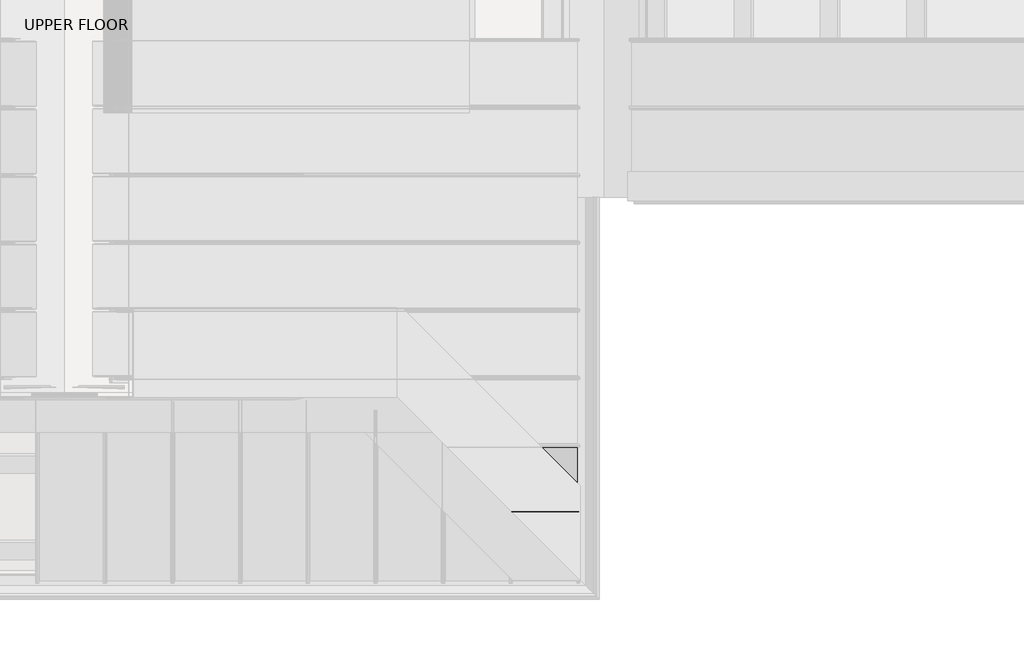
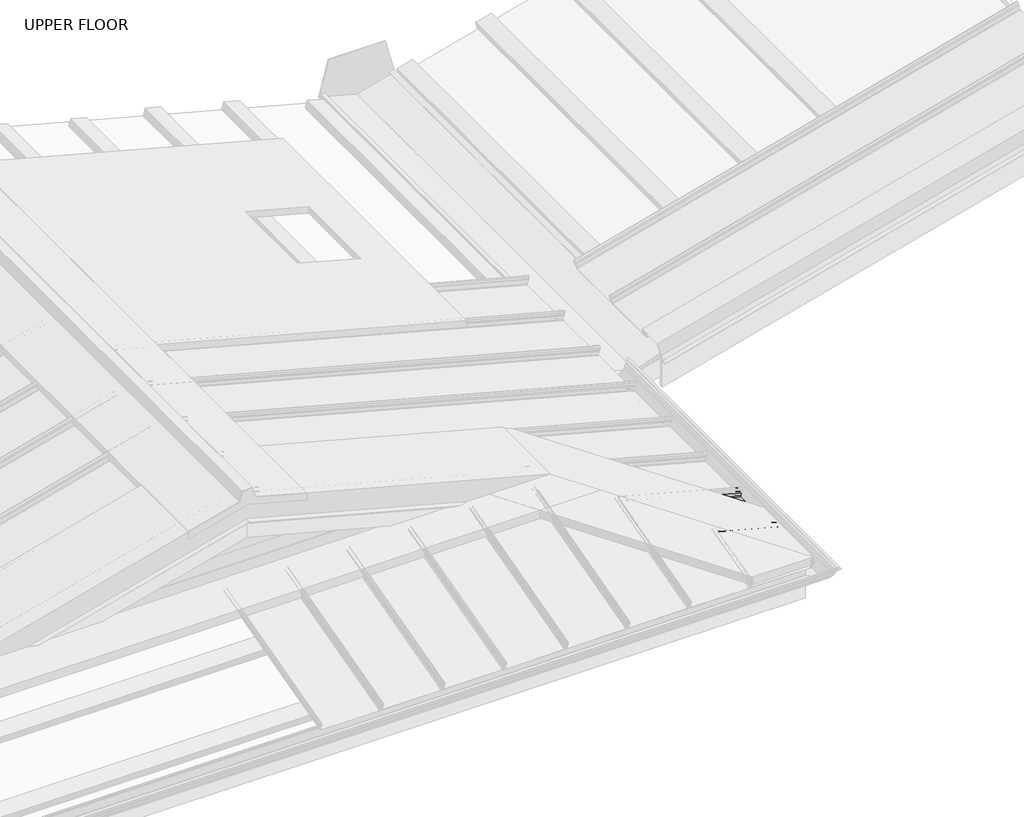
# One storey, part 11 of 15: 2 beams.
"""IFC4 building model written with IfcOpenShell, lengths in millimetres."""

from ifc_helpers import new_model, si_unit, frame, origin, place, context, project, spatial, polyline, circle_curve, ellipse_curve, element, save
from ifc_brep_helpers import plane_surface, cylinder_surface, revolved_surface, advanced_brep

model = new_model("IFC4")

# Units and contexts
model_context = context("Model", 3, world=origin())
ifc_project = project(units=[si_unit("LENGTHUNIT", "METRE", prefix="MILLI")], contexts=[model_context])

# Site, building, storey
site = spatial("IfcSite", under=ifc_project)
building = spatial("IfcBuilding", under=site)
storey = spatial("IfcBuildingStorey", under=building, Name="UPPER FLOOR", Elevation=2700.0)

# Beams
placement = place(None, origin())
element("IfcBeam", 1, at=placement, inside=storey, context=model_context, shape_type="AdvancedBrep", body=[
    advanced_brep(
    [(4588.6641838, -4320.4861861, 3288.2874662), (4589.6413755, -4325.0202115, 3291.9343952), (4588.6994492, -4329.527026, 3288.4190783), (4585.7595399, -4331.9740254, 3277.4471877), (4585.1242946, -4330.3153661, 3275.07642), (4584.6814449, -4329.1462013, 3273.4236821), (4578.622571, -4330.6367228, 3250.8116569), (4577.7257908, -4334.3311745, 3247.4648279), (4577.7257908, -4645.8741383, 3247.4648279), (4577.4669718, -4645.6153192, 3246.4989021), (4577.4669718, -4334.3314196, 3246.4989021), (4578.606125, -4329.6387437, 3250.7502796), (4584.6658644, -4328.1480092, 3273.3655349), (4585.3741518, -4330.05159, 3276.0088996), (4585.7149001, -4330.9882333, 3277.2805895), (4588.6147949, -4328.5725482, 3288.1031443), (4589.3828116, -4325.0097025, 3290.9694215), (4588.7109975, -4321.5357083, 3288.4621772), (4585.836038, -4319.5084575, 3277.7326823), (4585.8836748, -4318.5085976, 3277.9104655), (4250.3602501, -4318.5085976, 3367.8136962), (4252.3378387, -4320.4861861, 3378.4058387), (4251.36011, -4319.5084575, 3367.355237), (4253.3873609, -4321.5357083, 3378.3118748), (4256.8613551, -4325.0097025, 3380.0682773), (4260.4242008, -4328.5725482, 3376.0415489), (4262.8398859, -4330.9882333, 3363.7946888), (4261.9032426, -4330.05159, 3362.6826685), (4259.9996618, -4328.1480092, 3360.3595817), (4261.4903963, -4329.6387437, 3335.7211831), (4266.1830722, -4334.3314196, 3329.9071716), (4266.1828271, -4334.3311745, 3330.9425134), (4262.4883754, -4330.6367228, 3335.5195594), (4260.9978538, -4329.1462013, 3360.1544389), (4262.1670186, -4330.3153661, 3361.6125613), (4263.825678, -4331.9740254, 3363.7091061), (4261.3786785, -4329.527026, 3376.1244144), (4256.8718641, -4325.0202115, 3381.0997171)],
    [
        (0, 1, circle_curve(frame((4588.4481667, -4325.0202115, 3287.4812795), z_axis=(0.9659258262890683, 0.0, -0.25881904510252085), x_axis=(0.0, 1.0, 0.0)), 4.6102046)),
        (1, 2, circle_curve(frame((4588.4481667, -4325.0202115, 3287.4812795), z_axis=(0.9659258262890683, 0.0, -0.25881904510252085), x_axis=(0.25301467748856754, 0.2105938444020091, 0.9442636314479863)), 4.6102046)),
        (2, 3),
        (3, 4, circle_curve(frame((4585.7138743, -4329.589833, 3277.2767612), z_axis=(0.9659258262890683, 0.0, -0.25881904510252085), x_axis=(0.07854637762029247, -0.9528378408797882, 0.2931390720294278)), 2.3907121)),
        (4, 5, circle_curve(frame((4584.7091311, -4330.8262637, 3273.5270086), z_axis=(-0.9659258262890683, 0.0, 0.25881904510252085), x_axis=(0.2582960069428538, 0.06354246328302161, 0.9639738213028936)), 1.6834645)),
        (5, 6),
        (6, 7, circle_curve(frame((4578.6834212, -4334.3292456, 3251.038753), z_axis=(-0.9659258262890683, 0.0, 0.25881904510252085), x_axis=(-0.00013492947898775004, 0.9999998641088232, -0.0005035636710266542)), 3.7)),
        (7, 8),
        (8, 9),
        (9, 10),
        (10, 11, circle_curve(frame((4578.6840211, -4334.3314196, 3251.0409919), z_axis=(0.9659258262890683, 0.0, -0.25881904510252085), x_axis=(-0.2582883721443137, -0.06400407594283222, -0.9639453278468363)), 4.7023174)),
        (11, 12),
        (12, 13, circle_curve(frame((4584.7099319, -4330.822121, 3273.5299971), z_axis=(0.9659258262890683, 0.0, -0.25881904510252085), x_axis=(-0.07442661250521267, 0.9577619201002133, -0.27776389930470013)), 2.6795268)),
        (13, 14, circle_curve(frame((4585.6552205, -4329.9187472, 3277.0578623), z_axis=(-0.9659258262890683, 0.0, 0.25881904510252085), x_axis=(-0.2530054175637726, -0.2107598550523588, -0.9442290729381774)), 1.094061)),
        (14, 15),
        (15, 16, circle_curve(frame((4588.4452163, -4325.0097025, 3287.4702683), z_axis=(-0.9659258262890683, 0.0, 0.25881904510252085), x_axis=(0.0, -1.0, 0.0)), 3.6225901)),
        (16, 17, circle_curve(frame((4588.4452163, -4325.0097025, 3287.4702683), z_axis=(-0.9659258262890683, 0.0, 0.25881904510252085), x_axis=(0.24820248683930796, -0.2834711363957475, 0.9263042914492444)), 3.6225901)),
        (17, 18),
        (18, 19, circle_curve(frame((4585.8598564, -4319.0085275, 3277.8215739), z_axis=(0.9659258262890683, 0.0, -0.25881904510252085), x_axis=(-0.2545423082256888, 0.1810387826824727, -0.949964826974129)), 0.5083296)),
        (19, 0),
        (19, 20),
        (20, 21),
        (21, 0),
        (18, 22),
        (22, 20, ellipse_curve(frame((4250.8601801, -4319.0085275, 3367.5844666), z_axis=(0.7071067811865475, 0.7071067811865476, 0.0), x_axis=(-0.6612248329466449, 0.6612248329466448, 0.3543493200069151)), 0.7442462, 0.5083296)),
        (17, 23),
        (23, 22),
        (16, 24),
        (24, 23, ellipse_curve(frame((4256.8613551, -4325.0097025, 3376.3178961), z_axis=(-0.7071067811865475, -0.7071067811865476, 0.0), x_axis=(-0.6612248329466449, 0.6612248329466448, 0.3543493200069151)), 5.3038399, 3.6225901)),
        (15, 25),
        (25, 24, ellipse_curve(frame((4256.8613551, -4325.0097025, 3376.3178961), z_axis=(-0.7071067811865475, -0.7071067811865476, 0.0), x_axis=(-0.6612248329466449, 0.6612248329466448, 0.3543493200069151)), 5.3038399, 3.6225901)),
        (14, 26),
        (26, 25),
        (13, 27),
        (27, 26, ellipse_curve(frame((4261.7703998, -4329.9187472, 3363.8425384), z_axis=(-0.7071067811865475, -0.7071067811865476, 0.0), x_axis=(-0.6612248329466449, 0.6612248329466448, 0.3543493200069151)), 1.6018165, 1.094061)),
        (12, 28),
        (28, 27, ellipse_curve(frame((4262.6737736, -4330.822121, 3359.8193256), z_axis=(0.7071067811865475, 0.7071067811865476, 0.0), x_axis=(-0.6612248329466449, 0.6612248329466448, 0.3543493200069151)), 3.9230995, 2.6795268)),
        (11, 29),
        (29, 28),
        (10, 30),
        (30, 29, ellipse_curve(frame((4266.1830722, -4334.3314196, 3334.7753688), z_axis=(0.7071067811865475, 0.7071067811865476, 0.0), x_axis=(-0.6612248329466449, 0.6612248329466448, 0.3543493200069151)), 6.8846705, 4.7023174)),
        (9, 30),
        (7, 31),
        (31, 8),
        (6, 32),
        (32, 31, ellipse_curve(frame((4266.1808982, -4334.3292456, 3334.7735516), z_axis=(-0.7071067811865475, -0.7071067811865476, 0.0), x_axis=(-0.6612248329466449, 0.6612248329466448, 0.3543493200069151)), 5.417176, 3.7)),
        (5, 33),
        (33, 32),
        (4, 34),
        (34, 33, ellipse_curve(frame((4262.6779163, -4330.8262637, 3359.8150126), z_axis=(-0.7071067811865475, -0.7071067811865476, 0.0), x_axis=(-0.6612248329466449, 0.6612248329466448, 0.3543493200069151)), 2.4647631, 1.6834645)),
        (3, 35),
        (35, 34, ellipse_curve(frame((4261.4414856, -4329.589833, 3364.1652859), z_axis=(0.7071067811865475, 0.7071067811865476, 0.0), x_axis=(-0.6612248329466449, 0.6612248329466448, 0.3543493200069151)), 3.5002454, 2.3907121)),
        (2, 36),
        (36, 35),
        (1, 37),
        (37, 36, ellipse_curve(frame((4256.8718641, -4325.0202115, 3376.3268821), z_axis=(0.7071067811865475, 0.7071067811865476, 0.0), x_axis=(-0.6612248329466449, 0.6612248329466448, 0.3543493200069151)), 6.749808, 4.6102046)),
        (21, 37, ellipse_curve(frame((4256.8718641, -4325.0202115, 3376.3268821), z_axis=(0.7071067811865475, 0.7071067811865476, 0.0), x_axis=(-0.6612248329466449, 0.6612248329466448, 0.3543493200069151)), 6.749808, 4.6102046)),
    ],
    [
        plane_surface(frame((4585.8836748, -4318.5085976, 3277.9104655), z_axis=(0.9659258262890685, 0.0, -0.2588190451025208), x_axis=(0.25454230822568813, -0.1810387826824874, 0.9499648269741265))),
        plane_surface(frame((4587.2739293, -4319.4973918, 3283.0989658), z_axis=(0.046856284860271595, 0.9834759575937934, 0.1748700357524539), x_axis=(-0.25454230822571283, 0.18103878268197515, -0.9499648269742175))),
        cylinder_surface(frame((4585.8598564, -4319.0085275, 3277.8215739), z_axis=(-0.9659258262890683, 0.0, 0.25881904510252085), x_axis=(-0.2545423082256888, 0.1810387826824727, -0.949964826974129)), 0.5083296),
        plane_surface(frame((4587.2735177, -4320.5220829, 3283.0974297), z_axis=(-0.04646793749459967, -0.9837509798366518, -0.17342070365278076), x_axis=(0.25461348921999144, -0.1795383236816798, 0.9502304780613984))),
        revolved_surface(polyline([(4254.018533819951, -4326.036602232342, 3380.676171284427), (4589.344352195754, -4326.036602232342, 3290.825889049325)]), (4588.4452163, -4325.0097025, 3287.4702683), (-0.9659258262890683, 0.0, 0.25881904510252085)),
        revolved_surface(polyline([(4253.119397948331, -4328.632292599999, 3377.320550528635), (4588.445216324135, -4328.632292599999, 3287.470268293533)]), (4588.4452163, -4325.0097025, 3287.4702683), (-0.9659258262890683, 0.0, 0.25881904510252085)),
        plane_surface(frame((4587.1648475, -4329.7803908, 3282.6918669), z_axis=(-0.05454866443071865, 0.9775378680634889, -0.20357838714046717), x_axis=(-0.25300541756374617, -0.21075985505282802, -0.9442290729380797))),
        revolved_surface(polyline([(4260.363485280603, -4330.149331337779, 3363.112306615975), (4585.3784171646985, -4330.149331337779, 3276.024818089575)]), (4585.6552205, -4329.9187472, 3277.0578623), (-0.9659258262890683, 0.0, 0.25881904510252085)),
        cylinder_surface(frame((4584.7099319, -4330.822121, 3273.5299971), z_axis=(-0.9659258262890683, 0.0, 0.25881904510252085), x_axis=(-0.07442661250521267, 0.9577619201002133, -0.27776389930470013)), 2.6795268),
        plane_surface(frame((4581.6359947, -4328.8933764, 3262.0579073), z_axis=(-0.016445999670456363, 0.9979791357337515, -0.06137730635140414), x_axis=(-0.25829600694284854, -0.0635424632833412, -0.9639738213028741))),
        cylinder_surface(frame((4578.6840211, -4334.3314196, 3251.0409919), z_axis=(-0.9659258262890683, 0.0, 0.25881904510252085), x_axis=(-0.2582883721443137, -0.06400407594283222, -0.9639453278468363)), 4.7023174),
        plane_surface(frame((4577.4669718, -4494.4557735, 3246.4989021), z_axis=(-0.25881904510252085, 0.0, -0.9659258262890683), x_axis=(0.0, -1.0, 0.0))),
        plane_surface(frame((4577.7257908, -4494.4556509, 3247.4648279), z_axis=(0.25881904510252085, 0.0, 0.9659258262890683), x_axis=(0.0, 1.0, 0.0))),
        revolved_surface(polyline([(4262.358481103925, -4330.629246102797, 3335.7957682882775), (4578.682921976415, -4330.629246102797, 3251.0368898102674)]), (4578.6834212, -4334.3292456, 3251.038753), (-0.9659258262890683, 0.0, 0.25881904510252085)),
        plane_surface(frame((4581.6520079, -4329.891462, 3262.1176695), z_axis=(0.016445999670328403, -0.9979791357337829, 0.061377306350926586), x_axis=(0.25829600694285665, 0.06354246328284681, 0.9639738213029044))),
        revolved_surface(polyline([(4261.37381248389, -4330.719292218821, 3361.9037747403668), (4585.143963306913, -4330.719292218821, 3275.1498242940347)]), (4584.7091311, -4330.8262637, 3273.5270086), (-0.9659258262890683, 0.0, 0.25881904510252085)),
        cylinder_surface(frame((4585.7138743, -4329.589833, 3277.2767612), z_axis=(-0.9659258262890683, 0.0, 0.25881904510252085), x_axis=(0.07854637762029247, -0.9528378408797882, 0.2931390720294278)), 2.3907121),
        plane_surface(frame((4587.2294945, -4330.7505257, 3282.933133), z_axis=(0.05450569771247233, -0.9775736456657296, 0.2034180331649374), x_axis=(0.25301467748859413, 0.21059384440152798, 0.9442636314480866))),
        cylinder_surface(frame((4588.4481667, -4325.0202115, 3287.4812795), z_axis=(-0.9659258262890683, 0.0, 0.25881904510252085), x_axis=(0.25301467748856754, 0.2105938444020091, 0.9442636314479863)), 4.6102046),
        cylinder_surface(frame((4588.4481667, -4325.0202115, 3287.4812795), z_axis=(-0.9659258262890683, 0.0, 0.25881904510252085), x_axis=(0.0, 1.0, 0.0)), 4.6102046),
        plane_surface(frame((2929.153452, -2997.3017994, 4221.1329824), z_axis=(-0.7071067811865475, -0.7071067811865476, 0.0), x_axis=(0.0, 0.0, -1.0))),
    ],
    [
        (0, [[1, 2, 3, 4, 5, 6, 7, 8, 9, 10, 11, 12, 13, 14, 15, 16, 17, 18, 19, 20]]),
        (1, [[-20, 21, 22, 23]]),
        (2, [[-19, 24, 25, -21]]),
        (3, [[-18, 26, 27, -24]]),
        (4, [[-17, 28, 29, -26]]),
        (5, [[-16, 30, 31, -28]]),
        (6, [[-15, 32, 33, -30]]),
        (7, [[-14, 34, 35, -32]]),
        (8, [[-13, 36, 37, -34]]),
        (9, [[-12, 38, 39, -36]]),
        (10, [[-11, 40, 41, -38]]),
        (11, [[-10, 42, -40]]),
        (12, [[-8, 43, 44]]),
        (13, [[-7, 45, 46, -43]]),
        (14, [[-6, 47, 48, -45]]),
        (15, [[-5, 49, 50, -47]]),
        (16, [[-4, 51, 52, -49]]),
        (17, [[-3, 53, 54, -51]]),
        (18, [[-2, 55, 56, -53]]),
        (19, [[-1, -23, 57, -55]]),
        (20, [[-9, -44, -46, -48, -50, -52, -54, -56, -57, -22, -25, -27, -29, -31, -33, -35, -37, -39, -41, -42]]),
    ],
),
])
element("IfcBeam", 2, at=placement, inside=storey, context=model_context, shape_type="AdvancedBrep", body=[
    advanced_brep(
    [(4588.6641838, -3980.4861861, 3288.2874662), (4589.6413755, -3985.0202115, 3291.9343952), (4588.6994492, -3989.527026, 3288.4190783), (4585.7595399, -3991.9740254, 3277.4471877), (4585.1242946, -3990.3153661, 3275.07642), (4584.6814449, -3989.1462013, 3273.4236821), (4578.622571, -3990.6367228, 3250.8116569), (4577.7257908, -3994.3311745, 3247.4648279), (4577.7257908, -4314.5801273, 3247.4648279), (4578.6236149, -4318.2729047, 3250.8155528), (4584.7017212, -4319.7424079, 3273.4993546), (4584.9433076, -4319.1144803, 3274.4009671), (4585.7367928, -4316.9028424, 3277.3622944), (4588.6294847, -4317.7863812, 3288.1579673), (4590.3585719, -4325.0160332, 3294.6110086), (4588.6294847, -4332.2456851, 3288.1579673), (4585.7367928, -4333.1292239, 3277.3622944), (4584.9433076, -4330.917586, 3274.4009671), (4584.7017212, -4330.2896584, 3273.4993546), (4583.081526, -4330.6813728, 3267.4527037), (4583.081526, -4329.679417, 3267.4527037), (4584.7666355, -4329.2720082, 3273.7416181), (4585.194583, -4330.6774241, 3275.3387398), (4585.716396, -4332.1318447, 3277.2861723), (4588.6292283, -4331.2421543, 3288.1570105), (4590.0997528, -4325.0160332, 3293.6450828), (4588.60878, -4318.7831771, 3288.0806963), (4585.6957196, -4317.8955784, 3277.209007), (4585.194583, -4319.3546422, 3275.3387398), (4584.7666355, -4320.7600582, 3273.7416181), (4578.607451, -4319.2709526, 3250.7552284), (4577.4669718, -4314.5801273, 3246.4989021), (4577.4669718, -3994.3314196, 3246.4989021), (4578.606125, -3989.6387437, 3250.7502796), (4584.6658644, -3988.1480092, 3273.3655349), (4585.3741518, -3990.05159, 3276.0088996), (4585.7149001, -3990.9882333, 3277.2805895), (4588.6147949, -3988.5725482, 3288.1031443), (4589.3828116, -3985.0097025, 3290.9694215), (4588.7109975, -3981.5357083, 3288.4621772), (4585.836038, -3979.5084575, 3277.7326823), (4585.8836748, -3978.5085976, 3277.9104655), (3910.3602501, -3978.5085976, 3458.9164216), (3912.3378387, -3980.4861861, 3469.5085642), (3911.36011, -3979.5084575, 3458.4579625), (3913.3873609, -3981.5357083, 3469.4146003), (3916.8613551, -3985.0097025, 3471.1710027), (3920.4242008, -3988.5725482, 3467.1442744), (3922.8398859, -3990.9882333, 3454.8974142), (3921.9032426, -3990.05159, 3453.7853939), (3919.9996618, -3988.1480092, 3451.4623072), (3921.4903963, -3989.6387437, 3426.8239085), (3926.1830722, -3994.3314196, 3421.009897), (4246.4317799, -4314.5801273, 3335.1995144), (4251.1226052, -4319.2709526, 3338.5045283), (4252.6117107, -4320.7600582, 3362.7422619), (4251.2062948, -4319.3546422, 3364.8306319), (4249.747231, -4317.8955784, 3367.2261332), (4250.6348297, -4318.7831771, 3378.6405433), (4256.8676857, -4325.0160332, 3382.934346), (4263.0938069, -4331.2421543, 3375.3839637), (4263.9834973, -4332.1318447, 3363.4942427), (4262.5290767, -4330.6774241, 3361.7967017), (4261.1236608, -4329.2720082, 3360.4614918), (4261.5310695, -4329.679417, 3353.6118888), (4262.5330254, -4330.6813728, 3353.3434156), (4262.141311, -4330.2896584, 3359.929156), (4262.7692386, -4330.917586, 3360.7272487), (4264.9808994, -4333.1303531, 3363.3086685), (4264.0973377, -4332.2456851, 3375.116094), (4256.8676857, -4325.0160332, 3383.9696222), (4249.6380338, -4317.7863812, 3378.9904528), (4248.754495, -4316.9028424, 3367.6564289), (4250.9661329, -4319.1144803, 3363.8898813), (4251.5940605, -4319.7424079, 3362.7552833), (4250.1245573, -4318.2729047, 3338.8366101), (4246.4317799, -4314.5801273, 3336.2347906), (3926.1828271, -3994.3311745, 3422.0452389), (3922.4883754, -3990.6367228, 3426.6222848), (3920.9978538, -3989.1462013, 3451.2571643), (3922.1670186, -3990.3153661, 3452.7152867), (3923.825678, -3991.9740254, 3454.8118315), (3921.3786785, -3989.527026, 3467.2271399), (3916.8718641, -3985.0202115, 3472.2024425)],
    [
        (0, 1, circle_curve(frame((4588.4481667, -3985.0202115, 3287.4812795), z_axis=(0.9659258262890683, 0.0, -0.25881904510252085), x_axis=(0.0, 1.0, 0.0)), 4.6102046)),
        (1, 2, circle_curve(frame((4588.4481667, -3985.0202115, 3287.4812795), z_axis=(0.9659258262890683, 0.0, -0.25881904510252085), x_axis=(0.25301467748856754, 0.2105938444020091, 0.9442636314479863)), 4.6102046)),
        (2, 3),
        (3, 4, circle_curve(frame((4585.7138743, -3989.589833, 3277.2767612), z_axis=(0.9659258262890683, 0.0, -0.25881904510252085), x_axis=(0.07854637762029247, -0.9528378408797882, 0.2931390720294278)), 2.3907121)),
        (4, 5, circle_curve(frame((4584.7091311, -3990.8262637, 3273.5270086), z_axis=(-0.9659258262890683, 0.0, 0.25881904510252085), x_axis=(0.2582960069428538, 0.06354246328302161, 0.9639738213028936)), 1.6834645)),
        (5, 6),
        (6, 7, circle_curve(frame((4578.6834212, -3994.3292456, 3251.038753), z_axis=(-0.9659258262890683, 0.0, 0.25881904510252085), x_axis=(-0.00013492947898775004, 0.9999998641088232, -0.0005035636710266542)), 3.7)),
        (7, 8),
        (8, 9, circle_curve(frame((4578.6834213, -4314.5801273, 3251.0387535), z_axis=(-0.9659258262890683, 0.0, 0.25881904510252085), x_axis=(-0.2583138139701459, 0.06245250868722237, -0.96404027803348)), 3.7)),
        (9, 10),
        (10, 11, circle_curve(frame((4584.716653, -4318.8204381, 3273.5550807), z_axis=(-0.9659258262890683, 0.0, 0.25881904510252085), x_axis=(-0.08238356974987213, -0.9479881328261027, -0.3074596680154119)), 0.9237732)),
        (11, 12, circle_curve(frame((4585.6772189, -4319.8145026, 3277.1399613), z_axis=(0.9659258262890683, 0.0, -0.25881904510252085), x_axis=(-0.25801408229683115, 0.07880737243916583, -0.9629216642000318)), 2.9207441)),
        (12, 13),
        (13, 14, circle_curve(frame((4588.4815625, -4325.0160332, 3287.6059142), z_axis=(0.9659258262890683, 0.0, -0.25881904510252085), x_axis=(0.0, 1.0, 0.0)), 7.2522073)),
        (14, 15, circle_curve(frame((4588.4815625, -4325.0160332, 3287.6059142), z_axis=(0.9659258262890683, 0.0, -0.25881904510252085), x_axis=(0.2580140822968322, 0.07880737243912508, 0.9629216642000348)), 7.2522073)),
        (15, 16),
        (16, 17, circle_curve(frame((4585.6777637, -4330.2161421, 3277.1419948), z_axis=(0.9659258262890683, 0.0, -0.25881904510252085), x_axis=(0.0621070986503596, -0.9707819351134727, 0.23178684767383986)), 2.9231288)),
        (17, 18, circle_curve(frame((4584.7328538, -4331.1185804, 3273.6155429), z_axis=(-0.9659258262890683, 0.0, 0.25881904510252085), x_axis=(0.25613627910388925, 0.14360843272178261, 0.9559136072773563)), 0.8376041)),
        (18, 19),
        (19, 20, circle_curve(frame((4583.081526, -4330.1803949, 3267.4527037), z_axis=(0.9659258262890683, 0.0, -0.25881904510252085), x_axis=(-0.2588190451025208, 0.0, -0.9659258262890683)), 0.5009779)),
        (20, 21),
        (21, 22, circle_curve(frame((4584.7281447, -4331.1223243, 3273.5979682), z_axis=(0.9659258262890683, 0.0, -0.25881904510252085), x_axis=(-0.06203183227187774, 0.9708537722163963, -0.23150594972524385)), 1.856283)),
        (22, 23, circle_curve(frame((4585.6772189, -4330.2170744, 3277.1399613), z_axis=(-0.9659258262890683, 0.0, 0.25881904510252085), x_axis=(-0.2580140822968318, -0.0788073724391446, -0.9629216642000333)), 1.9207441)),
        (23, 24),
        (24, 25, circle_curve(frame((4588.5034153, -4325.0930826, 3287.68747), z_axis=(-0.9659258262890683, 0.0, 0.25881904510252085), x_axis=(0.003232982743645112, -0.9999219808421378, 0.012065655859282558)), 6.1682558)),
        (25, 26, circle_curve(frame((4588.459391, -4325.0952075, 3287.5231692), z_axis=(-0.9659258262890683, 0.0, 0.25881904510252085), x_axis=(0.25774367200769627, -0.09106361391821773, 0.9619124792620911)), 6.3383658)),
        (26, 27),
        (27, 28, circle_curve(frame((4585.6585017, -4319.7190232, 3277.0701078), z_axis=(-0.9659258262890683, 0.0, 0.25881904510252085), x_axis=(0.05156001409015099, 0.9799562955839815, 0.19242459222340522)), 1.8291061)),
        (28, 29, circle_curve(frame((4584.749032, -4319.0046879, 3273.6759208), z_axis=(0.9659258262890683, 0.0, -0.25881904510252085), x_axis=(0.25862498033881764, 0.03871763325448718, 0.965201566730969)), 1.7566874)),
        (29, 30),
        (30, 31, circle_curve(frame((4578.6834213, -4314.5801273, 3251.0387535), z_axis=(0.9659258262890683, 0.0, -0.25881904510252085), x_axis=(0.0, -1.0, 0.0)), 4.7)),
        (31, 32),
        (32, 33, circle_curve(frame((4578.6840211, -3994.3314196, 3251.0409919), z_axis=(0.9659258262890683, 0.0, -0.25881904510252085), x_axis=(-0.2582883721443137, -0.06400407594283222, -0.9639453278468363)), 4.7023174)),
        (33, 34),
        (34, 35, circle_curve(frame((4584.7099319, -3990.822121, 3273.5299971), z_axis=(0.9659258262890683, 0.0, -0.25881904510252085), x_axis=(-0.07442661250521267, 0.9577619201002133, -0.27776389930470013)), 2.6795268)),
        (35, 36, circle_curve(frame((4585.6552205, -3989.9187472, 3277.0578623), z_axis=(-0.9659258262890683, 0.0, 0.25881904510252085), x_axis=(-0.2530054175637726, -0.2107598550523588, -0.9442290729381774)), 1.094061)),
        (36, 37),
        (37, 38, circle_curve(frame((4588.4452163, -3985.0097025, 3287.4702683), z_axis=(-0.9659258262890683, 0.0, 0.25881904510252085), x_axis=(0.0, -1.0, 0.0)), 3.6225901)),
        (38, 39, circle_curve(frame((4588.4452163, -3985.0097025, 3287.4702683), z_axis=(-0.9659258262890683, 0.0, 0.25881904510252085), x_axis=(0.24820248683930796, -0.2834711363957475, 0.9263042914492444)), 3.6225901)),
        (39, 40),
        (40, 41, circle_curve(frame((4585.8598564, -3979.0085275, 3277.8215739), z_axis=(0.9659258262890683, 0.0, -0.25881904510252085), x_axis=(-0.2545423082256888, 0.1810387826824727, -0.949964826974129)), 0.5083296)),
        (41, 0),
        (41, 42),
        (42, 43),
        (43, 0),
        (40, 44),
        (44, 42, ellipse_curve(frame((3910.8601801, -3979.0085275, 3458.687192), z_axis=(0.7071067811865475, 0.7071067811865476, 0.0), x_axis=(-0.6612248329466449, 0.6612248329466448, 0.3543493200069151)), 0.7442462, 0.5083296)),
        (39, 45),
        (45, 44),
        (38, 46),
        (46, 45, ellipse_curve(frame((3916.8613551, -3985.0097025, 3467.4206215), z_axis=(-0.7071067811865475, -0.7071067811865476, 0.0), x_axis=(-0.6612248329466449, 0.6612248329466448, 0.3543493200069151)), 5.3038399, 3.6225901)),
        (37, 47),
        (47, 46, ellipse_curve(frame((3916.8613551, -3985.0097025, 3467.4206215), z_axis=(-0.7071067811865475, -0.7071067811865476, 0.0), x_axis=(-0.6612248329466449, 0.6612248329466448, 0.3543493200069151)), 5.3038399, 3.6225901)),
        (36, 48),
        (48, 47),
        (35, 49),
        (49, 48, ellipse_curve(frame((3921.7703998, -3989.9187472, 3454.9452639), z_axis=(-0.7071067811865475, -0.7071067811865476, 0.0), x_axis=(-0.6612248329466449, 0.6612248329466448, 0.3543493200069151)), 1.6018165, 1.094061)),
        (34, 50),
        (50, 49, ellipse_curve(frame((3922.6737736, -3990.822121, 3450.9220511), z_axis=(0.7071067811865475, 0.7071067811865476, 0.0), x_axis=(-0.6612248329466449, 0.6612248329466448, 0.3543493200069151)), 3.9230995, 2.6795268)),
        (33, 51),
        (51, 50),
        (32, 52),
        (52, 51, ellipse_curve(frame((3926.1830722, -3994.3314196, 3425.8780942), z_axis=(0.7071067811865475, 0.7071067811865476, 0.0), x_axis=(-0.6612248329466449, 0.6612248329466448, 0.3543493200069151)), 6.8846705, 4.7023174)),
        (31, 53),
        (53, 52),
        (30, 54),
        (54, 53, ellipse_curve(frame((4246.4317799, -4314.5801273, 3340.0653125), z_axis=(0.7071067811865475, 0.7071067811865476, 0.0), x_axis=(-0.6612248329466449, 0.6612248329466448, 0.3543493200069151)), 6.8812776, 4.7)),
        (29, 55),
        (55, 54),
        (28, 56),
        (56, 55, ellipse_curve(frame((4250.8563405, -4319.0046879, 3363.1421979), z_axis=(0.7071067811865475, 0.7071067811865476, 0.0), x_axis=(-0.6612248329466449, 0.6612248329466448, 0.3543493200069151)), 2.5719689, 1.7566874)),
        (27, 57),
        (57, 56, ellipse_curve(frame((4251.5706757, -4319.7190232, 3366.5886709), z_axis=(-0.7071067811865475, -0.7071067811865476, 0.0), x_axis=(-0.6612248329466449, 0.6612248329466448, 0.3543493200069151)), 2.6779972, 1.8291061)),
        (26, 58),
        (58, 57),
        (25, 59),
        (59, 58, ellipse_curve(frame((4256.9468601, -4325.0952075, 3376.3516842), z_axis=(-0.7071067811865475, -0.7071067811865476, 0.0), x_axis=(-0.6612248329466449, 0.6612248329466448, 0.3543493200069151)), 9.2800116, 6.3383658)),
        (24, 60),
        (60, 59, ellipse_curve(frame((4256.9447352, -4325.0930826, 3376.5283506), z_axis=(-0.7071067811865475, -0.7071067811865476, 0.0), x_axis=(-0.6612248329466449, 0.6612248329466448, 0.3543493200069151)), 9.0309533, 6.1682558)),
        (23, 61),
        (61, 60),
        (22, 62),
        (62, 61, ellipse_curve(frame((4262.068727, -4330.2170744, 3363.8505953), z_axis=(-0.7071067811865475, -0.7071067811865476, 0.0), x_axis=(-0.6612248329466449, 0.6612248329466448, 0.3543493200069151)), 2.8121646, 1.9207441)),
        (21, 63),
        (63, 62, ellipse_curve(frame((4262.9739769, -4331.1223243, 3359.8117377), z_axis=(0.7071067811865475, 0.7071067811865476, 0.0), x_axis=(-0.6612248329466449, 0.6612248329466448, 0.3543493200069151)), 2.7177869, 1.856283)),
        (20, 64),
        (64, 63),
        (19, 65),
        (65, 64, ellipse_curve(frame((4262.0320475, -4330.1803949, 3353.4776522), z_axis=(0.7071067811865475, 0.7071067811865476, 0.0), x_axis=(-0.6612248329466449, 0.6612248329466448, 0.3543493200069151)), 0.7334826, 0.5009779)),
        (18, 66),
        (66, 65),
        (17, 67),
        (67, 66, ellipse_curve(frame((4262.9702329, -4331.1185804, 3359.8315773), z_axis=(-0.7071067811865475, -0.7071067811865476, 0.0), x_axis=(-0.6612248329466449, 0.6612248329466448, 0.3543493200069151)), 1.2263375, 0.8376041)),
        (16, 68),
        (68, 67, ellipse_curve(frame((4262.0677947, -4330.2161421, 3363.8530246), z_axis=(0.7071067811865475, 0.7071067811865476, 0.0), x_axis=(-0.6612248329466449, 0.6612248329466448, 0.3543493200069151)), 4.2797576, 2.9231288)),
        (15, 69),
        (69, 68),
        (14, 70),
        (70, 69, ellipse_curve(frame((4256.8676857, -4325.0160332, 3376.4615847), z_axis=(0.7071067811865475, 0.7071067811865476, 0.0), x_axis=(-0.6612248329466449, 0.6612248329466448, 0.3543493200069151)), 10.6179685, 7.2522073)),
        (13, 71),
        (71, 70, ellipse_curve(frame((4256.8676857, -4325.0160332, 3376.4615847), z_axis=(0.7071067811865475, 0.7071067811865476, 0.0), x_axis=(-0.6612248329466449, 0.6612248329466448, 0.3543493200069151)), 10.6179685, 7.2522073)),
        (12, 72),
        (72, 71),
        (11, 73),
        (73, 72, ellipse_curve(frame((4251.6661552, -4319.8145026, 3366.637956), z_axis=(0.7071067811865475, 0.7071067811865476, 0.0), x_axis=(-0.6612248329466449, 0.6612248329466448, 0.3543493200069151)), 4.2762662, 2.9207441)),
        (10, 74),
        (74, 73, ellipse_curve(frame((4250.6720906, -4318.8204381, 3363.0620515), z_axis=(-0.7071067811865475, -0.7071067811865476, 0.0), x_axis=(-0.6612248329466449, 0.6612248329466448, 0.3543493200069151)), 1.3524978, 0.9237732)),
        (9, 75),
        (75, 74),
        (8, 76),
        (76, 75, ellipse_curve(frame((4246.4317799, -4314.5801273, 3340.0653125), z_axis=(-0.7071067811865475, -0.7071067811865476, 0.0), x_axis=(-0.6612248329466449, 0.6612248329466448, 0.3543493200069151)), 5.417176, 3.7)),
        (7, 77),
        (77, 76),
        (6, 78),
        (78, 77, ellipse_curve(frame((3926.1808982, -3994.3292456, 3425.8762771), z_axis=(-0.7071067811865475, -0.7071067811865476, 0.0), x_axis=(-0.6612248329466449, 0.6612248329466448, 0.3543493200069151)), 5.417176, 3.7)),
        (5, 79),
        (79, 78),
        (4, 80),
        (80, 79, ellipse_curve(frame((3922.6779163, -3990.8262637, 3450.917738), z_axis=(-0.7071067811865475, -0.7071067811865476, 0.0), x_axis=(-0.6612248329466449, 0.6612248329466448, 0.3543493200069151)), 2.4647631, 1.6834645)),
        (3, 81),
        (81, 80, ellipse_curve(frame((3921.4414856, -3989.589833, 3455.2680113), z_axis=(0.7071067811865475, 0.7071067811865476, 0.0), x_axis=(-0.6612248329466449, 0.6612248329466448, 0.3543493200069151)), 3.5002454, 2.3907121)),
        (2, 82),
        (82, 81),
        (1, 83),
        (83, 82, ellipse_curve(frame((3916.8718641, -3985.0202115, 3467.4296075), z_axis=(0.7071067811865475, 0.7071067811865476, 0.0), x_axis=(-0.6612248329466449, 0.6612248329466448, 0.3543493200069151)), 6.749808, 4.6102046)),
        (43, 83, ellipse_curve(frame((3916.8718641, -3985.0202115, 3467.4296075), z_axis=(0.7071067811865475, 0.7071067811865476, 0.0), x_axis=(-0.6612248329466449, 0.6612248329466448, 0.3543493200069151)), 6.749808, 4.6102046)),
    ],
    [
        plane_surface(frame((4585.8836748, -3978.5085976, 3277.9104655), z_axis=(0.9659258262890685, 0.0, -0.2588190451025208), x_axis=(0.25454230822568813, -0.1810387826824874, 0.9499648269741265))),
        plane_surface(frame((4587.2739293, -3979.4973918, 3283.0989658), z_axis=(0.046856284860271595, 0.9834759575937934, 0.1748700357524539), x_axis=(-0.25454230822571283, 0.18103878268197515, -0.9499648269742175))),
        cylinder_surface(frame((4585.8598564, -3979.0085275, 3277.8215739), z_axis=(-0.9659258262890683, 0.0, 0.25881904510252085), x_axis=(-0.2545423082256888, 0.1810387826824727, -0.949964826974129)), 0.5083296),
        plane_surface(frame((4587.2735177, -3980.5220829, 3283.0974297), z_axis=(-0.04646793749459967, -0.9837509798366518, -0.17342070365278076), x_axis=(0.25461348921999144, -0.1795383236816798, 0.9502304780613984))),
        revolved_surface(polyline([(3914.0185338265956, -3986.036602232343, 3471.778896709228), (4589.344352195754, -3986.036602232343, 3290.825889049325)]), (4588.4452163, -3985.0097025, 3287.4702683), (-0.9659258262890683, 0.0, 0.25881904510252085)),
        revolved_surface(polyline([(3913.119397954976, -3988.6322926, 3468.423275953436), (4588.445216324135, -3988.6322926, 3287.470268293533)]), (4588.4452163, -3985.0097025, 3287.4702683), (-0.9659258262890683, 0.0, 0.25881904510252085)),
        plane_surface(frame((4587.1648475, -3989.7803908, 3282.6918669), z_axis=(-0.05454866443071865, 0.9775378680634889, -0.20357838714046717), x_axis=(-0.25300541756374617, -0.21075985505282802, -0.9442290729380797))),
        revolved_surface(polyline([(3920.363485262249, -3990.149331337778, 3454.215032047475), (4585.3784171646985, -3990.149331337778, 3276.024818089575)]), (4585.6552205, -3989.9187472, 3277.0578623), (-0.9659258262890683, 0.0, 0.25881904510252085)),
        cylinder_surface(frame((4584.7099319, -3990.822121, 3273.5299971), z_axis=(-0.9659258262890683, 0.0, 0.25881904510252085), x_axis=(-0.07442661250521267, 0.9577619201002133, -0.27776389930470013)), 2.6795268),
        plane_surface(frame((4581.6359947, -3988.8933764, 3262.0579073), z_axis=(-0.016445999670456363, 0.9979791357337515, -0.06137730635140414), x_axis=(-0.25829600694284854, -0.0635424632833412, -0.9639738213028741))),
        cylinder_surface(frame((4578.6840211, -3994.3314196, 3251.0409919), z_axis=(-0.9659258262890683, 0.0, 0.25881904510252085), x_axis=(-0.2582883721443137, -0.06400407594283222, -0.9639453278468363)), 4.7023174),
        plane_surface(frame((4577.4669718, -4154.4557735, 3246.4989021), z_axis=(-0.25881904510252085, 0.0, -0.9659258262890683), x_axis=(0.0, -1.0, 0.0))),
        cylinder_surface(frame((4578.6834213, -4314.5801273, 3251.0387535), z_axis=(-0.9659258262890683, 0.0, 0.25881904510252085), x_axis=(0.0, -1.0, 0.0)), 4.7),
        plane_surface(frame((4581.6870433, -4320.0155054, 3262.2484232), z_axis=(-0.016163898662748682, -0.9980479368039599, -0.060324491057772704), x_axis=(0.25831381397014186, -0.06245250868747313, 0.9640402780334647))),
        cylinder_surface(frame((4584.749032, -4319.0046879, 3273.6759208), z_axis=(-0.9659258262890683, 0.0, 0.25881904510252085), x_axis=(0.25862498033881764, 0.03871763325448718, 0.965201566730969)), 1.7566874),
        revolved_surface(polyline([(4249.775607893679, -4317.926579162015, 3367.446892891986), (4585.752810436288, -4317.926579162015, 3277.422072795426)]), (4585.6585017, -4319.7190232, 3277.0701078), (-0.9659258262890683, 0.0, 0.25881904510252085)),
        plane_surface(frame((4587.1522498, -4318.3393778, 3282.6448517), z_axis=(-0.020347608814056, -0.9969048840807636, -0.07593830990659328), x_axis=(0.25801797015582234, -0.07861712342689506, 0.9629361738873193))),
        revolved_surface(polyline([(4252.033313914716, -4325.672401996083, 3384.202959571053), (4590.0930647353425, -4325.672401996083, 3293.6201223451994)]), (4588.459391, -4325.0952075, 3287.5231692), (-0.9659258262890683, 0.0, 0.25881904510252085)),
        revolved_surface(polyline([(4250.59317245139, -4331.260857157878, 3378.3100141437285), (4588.523357166623, -4331.260857157878, 3287.7618940511816)]), (4588.5034153, -4325.0930826, 3287.68747), (-0.9659258262890683, 0.0, 0.25881904510252085)),
        plane_surface(frame((4587.1728121, -4331.6869995, 3282.7215914), z_axis=(-0.02039684888186608, 0.9968898625470921, -0.07612207634142863), x_axis=(-0.2580140822968216, -0.07880737243963898, -0.9629216641999956))),
        revolved_surface(polyline([(4259.589113846253, -4330.368443195649, 3362.5326896053925), (4585.181639873712, -4330.368443195649, 3275.2904351947254)]), (4585.6772189, -4330.2170744, 3277.1399613), (-0.9659258262890683, 0.0, 0.25881904510252085)),
        cylinder_surface(frame((4584.7281447, -4331.1223243, 3273.5979682), z_axis=(-0.9659258262890683, 0.0, 0.25881904510252085), x_axis=(-0.06203183227187774, 0.9708537722163963, -0.23150594972524385)), 1.856283),
        plane_surface(frame((4583.9240808, -4329.4757126, 3270.5971609), z_axis=(-0.01616389866290455, 0.9980479368039222, -0.0603244910583544), x_axis=(-0.25831381397013214, -0.06245250868807535, -0.9640402780334284))),
        cylinder_surface(frame((4583.081526, -4330.1803949, 3267.4527037), z_axis=(-0.9659258262890683, 0.0, 0.25881904510252085), x_axis=(-0.2588190451025208, 0.0, -0.9659258262890683)), 0.5009779),
        plane_surface(frame((4583.8916236, -4330.4855156, 3270.4760291), z_axis=(0.016163898662435134, -0.9980479368040359, 0.06032449105660252), x_axis=(0.25831381397016157, 0.06245250868626167, 0.9640402780335381))),
        revolved_surface(polyline([(4262.319569912728, -4330.998293387957, 3360.864085136805), (4584.947394616097, -4330.998293387957, 3274.4162200517276)]), (4584.7328538, -4331.1185804, 3273.6155429), (-0.9659258262890683, 0.0, 0.25881904510252085)),
        cylinder_surface(frame((4585.6777637, -4330.2161421, 3277.1419948), z_axis=(-0.9659258262890683, 0.0, 0.25881904510252085), x_axis=(0.0621070986503596, -0.9707819351134727, 0.23178684767383986)), 2.9231288),
        plane_surface(frame((4587.1831388, -4332.6874545, 3282.7601308), z_axis=(0.02039684888159989, -0.9968898625471735, 0.07612207634043519), x_axis=(0.25801408229684264, 0.0788073724386105, 0.9629216642000742))),
        cylinder_surface(frame((4588.4815625, -4325.0160332, 3287.6059142), z_axis=(-0.9659258262890683, 0.0, 0.25881904510252085), x_axis=(0.2580140822968322, 0.07880737243912508, 0.9629216642000348)), 7.2522073),
        cylinder_surface(frame((4588.4815625, -4325.0160332, 3287.6059142), z_axis=(-0.9659258262890683, 0.0, 0.25881904510252085), x_axis=(0.0, 1.0, 0.0)), 7.2522073),
        plane_surface(frame((4587.1831388, -4317.3446118, 3282.7601308), z_axis=(0.020396848881606883, 0.9968898625471712, 0.0761220763404613), x_axis=(-0.258014082296842, 0.07880737243863752, -0.962921664200072))),
        cylinder_surface(frame((4585.6772189, -4319.8145026, 3277.1399613), z_axis=(-0.9659258262890683, 0.0, 0.25881904510252085), x_axis=(-0.25801408229683115, 0.07880737243916583, -0.9629216642000318)), 2.9207441),
        revolved_surface(polyline([(4249.641774632583, -4319.696164131023, 3363.033708827085), (4584.640549286887, -4319.696164131023, 3273.271057693049)]), (4584.716653, -4318.8204381, 3273.5550807), (-0.9659258262890683, 0.0, 0.25881904510252085)),
        plane_surface(frame((4581.6626681, -4319.0076563, 3262.1574537), z_axis=(0.01616389866262174, 0.9980479368039906, 0.06032449105729895), x_axis=(-0.25831381397014985, 0.06245250868698267, -0.9640402780334945))),
        revolved_surface(polyline([(4241.654100912934, -4314.349053017857, 3337.5224432765663), (4577.7276602324555, -4314.349053017857, 3247.471804459448)]), (4578.6834213, -4314.5801273, 3251.0387535), (-0.9659258262890683, 0.0, 0.25881904510252085)),
        plane_surface(frame((4577.7257908, -4154.4556509, 3247.4648279), z_axis=(0.25881904510252085, 0.0, 0.9659258262890683), x_axis=(0.0, 1.0, 0.0))),
        revolved_surface(polyline([(3922.35848108557, -3990.6292461027974, 3426.8984937197774), (4578.682921976415, -3990.6292461027974, 3251.0368898102674)]), (4578.6834212, -3994.3292456, 3251.038753), (-0.9659258262890683, 0.0, 0.25881904510252085)),
        plane_surface(frame((4581.6520079, -3989.891462, 3262.1176695), z_axis=(0.016445999670328403, -0.9979791357337829, 0.061377306350926586), x_axis=(0.25829600694285665, 0.06354246328284681, 0.9639738213029044))),
        revolved_surface(polyline([(3921.373812490536, -3990.71929221882, 3453.006500165168), (4585.143963306913, -3990.71929221882, 3275.1498242940347)]), (4584.7091311, -3990.8262637, 3273.5270086), (-0.9659258262890683, 0.0, 0.25881904510252085)),
        cylinder_surface(frame((4585.7138743, -3989.589833, 3277.2767612), z_axis=(-0.9659258262890683, 0.0, 0.25881904510252085), x_axis=(0.07854637762029247, -0.9528378408797882, 0.2931390720294278)), 2.3907121),
        plane_surface(frame((4587.2294945, -3990.7505257, 3282.933133), z_axis=(0.05450569771247233, -0.9775736456657296, 0.2034180331649374), x_axis=(0.25301467748859413, 0.21059384440152798, 0.9442636314480866))),
        cylinder_surface(frame((4588.4481667, -3985.0202115, 3287.4812795), z_axis=(-0.9659258262890683, 0.0, 0.25881904510252085), x_axis=(0.25301467748856754, 0.2105938444020091, 0.9442636314479863)), 4.6102046),
        cylinder_surface(frame((4588.4481667, -3985.0202115, 3287.4812795), z_axis=(-0.9659258262890683, 0.0, 0.25881904510252085), x_axis=(0.0, 1.0, 0.0)), 4.6102046),
        plane_surface(frame((2929.153452, -2997.3017994, 4221.1329824), z_axis=(-0.7071067811865475, -0.7071067811865476, 0.0), x_axis=(0.0, 0.0, -1.0))),
    ],
    [
        (0, [[1, 2, 3, 4, 5, 6, 7, 8, 9, 10, 11, 12, 13, 14, 15, 16, 17, 18, 19, 20, 21, 22, 23, 24, 25, 26, 27, 28, 29, 30, 31, 32, 33, 34, 35, 36, 37, 38, 39, 40, 41, 42]]),
        (1, [[-42, 43, 44, 45]]),
        (2, [[-41, 46, 47, -43]]),
        (3, [[-40, 48, 49, -46]]),
        (4, [[-39, 50, 51, -48]]),
        (5, [[-38, 52, 53, -50]]),
        (6, [[-37, 54, 55, -52]]),
        (7, [[-36, 56, 57, -54]]),
        (8, [[-35, 58, 59, -56]]),
        (9, [[-34, 60, 61, -58]]),
        (10, [[-33, 62, 63, -60]]),
        (11, [[-32, 64, 65, -62]]),
        (12, [[-31, 66, 67, -64]]),
        (13, [[-30, 68, 69, -66]]),
        (14, [[-29, 70, 71, -68]]),
        (15, [[-28, 72, 73, -70]]),
        (16, [[-27, 74, 75, -72]]),
        (17, [[-26, 76, 77, -74]]),
        (18, [[-25, 78, 79, -76]]),
        (19, [[-24, 80, 81, -78]]),
        (20, [[-23, 82, 83, -80]]),
        (21, [[-22, 84, 85, -82]]),
        (22, [[-21, 86, 87, -84]]),
        (23, [[-20, 88, 89, -86]]),
        (24, [[-19, 90, 91, -88]]),
        (25, [[-18, 92, 93, -90]]),
        (26, [[-17, 94, 95, -92]]),
        (27, [[-16, 96, 97, -94]]),
        (28, [[-15, 98, 99, -96]]),
        (29, [[-14, 100, 101, -98]]),
        (30, [[-13, 102, 103, -100]]),
        (31, [[-12, 104, 105, -102]]),
        (32, [[-11, 106, 107, -104]]),
        (33, [[-10, 108, 109, -106]]),
        (34, [[-9, 110, 111, -108]]),
        (35, [[-8, 112, 113, -110]]),
        (36, [[-7, 114, 115, -112]]),
        (37, [[-6, 116, 117, -114]]),
        (38, [[-5, 118, 119, -116]]),
        (39, [[-4, 120, 121, -118]]),
        (40, [[-3, 122, 123, -120]]),
        (41, [[-2, 124, 125, -122]]),
        (42, [[-1, -45, 126, -124]]),
        (43, [[-44, -47, -49, -51, -53, -55, -57, -59, -61, -63, -65, -67, -69, -71, -73, -75, -77, -79, -81, -83, -85, -87, -89, -91, -93, -95, -97, -99, -101, -103, -105, -107, -109, -111, -113, -115, -117, -119, -121, -123, -125, -126]]),
    ],
),
])

save(model, "model.ifc")
